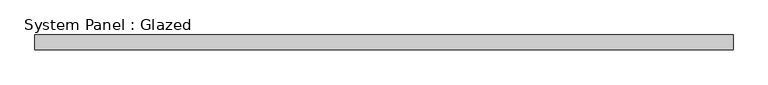
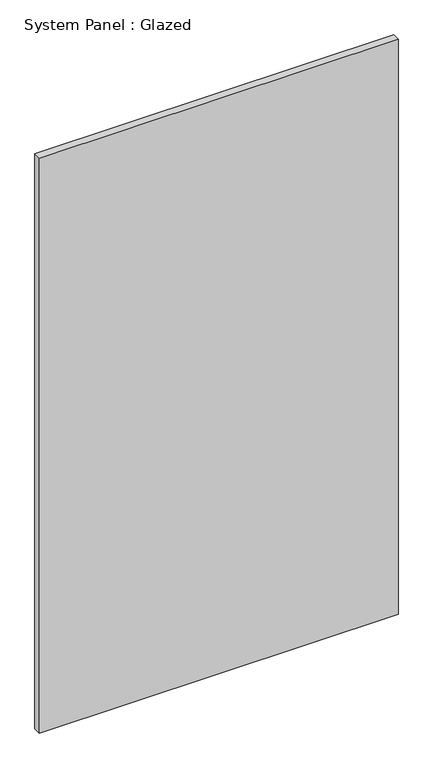
"""IFC4 building model written with IfcOpenShell, lengths in millimetres: plate geometry, System Panel : Glazed."""

from ifc_helpers import new_model, si_unit, origin, origin_with_axes, place, context, project, spatial, polyline, outline, extrude, source, transform, mapped, element, save


def system_panel_glazed_0d550fab(model_context):
    return source(origin(), model_context, "Body", "SweptSolid", [
        extrude(outline(polyline([(593.25, 19.05), (-593.25, 19.05), (-593.25, 44.45), (593.25, 44.45), (593.25, 19.05)])), origin_with_axes(), (0.0, 0.0, 1.0), 2010.7536198),
    ])


if __name__ == "__main__":
    model = new_model("IFC4")
    model_context = context("Model", 3, world=origin())
    ifc_project = project(units=[si_unit("LENGTHUNIT", "METRE", prefix="MILLI")], contexts=[model_context])
    site = spatial("IfcSite", under=ifc_project)
    building = spatial("IfcBuilding", under=site)
    placement = place(None, origin())
    system_panel_glazed_shape = system_panel_glazed_0d550fab(model_context)
    element("IfcPlate", 1, ObjectType="System Panel : Glazed", at=placement, inside=building, context=model_context, shape_type="MappedRepresentation", body=[
        mapped(system_panel_glazed_shape, transform((0.0, 0.0, 0.0), x_axis=(1.0, 0.0, 0.0), y_axis=(0.0, 1.0, 0.0), z_axis=(0.0, 0.0, 1.0))),
    ])
    save(model, "model.ifc")
